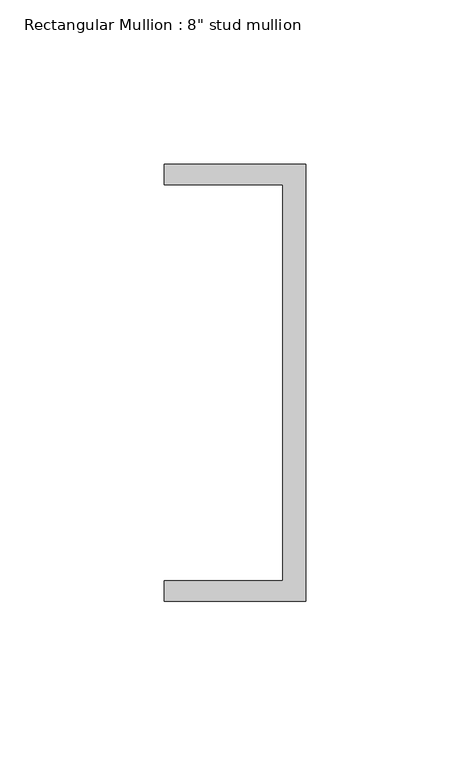
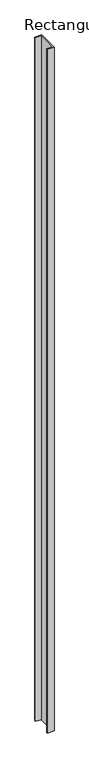
"""IFC4 building model written with IfcOpenShell, lengths in millimetres: member geometry."""

from ifc_helpers import new_model, si_unit, frame, origin, place, context, project, spatial, polyline, outline, extrude, source, transform, mapped, element, save


def member_6ffe2bf0(model_context):
    return source(origin(), model_context, "Body", "SweptSolid", [
        extrude(outline(polyline([(18.6549463, 135.2608739), (18.6549463, 1.9108739), (-24.5675083, 1.9108739), (-24.5675083, 8.2608739), (11.6110886, 8.2608739), (11.6110886, 128.9108739), (-24.5675083, 128.9108739), (-24.5675083, 135.2608739), (18.6549463, 135.2608739)])), frame((0.0, 0.0, -4530.2513669), z_axis=(0.0, 0.0, 1.0), x_axis=(1.0, 0.0, 0.0)), (0.0, 0.0, 1.0), 4530.2513669),
    ])


if __name__ == "__main__":
    model = new_model("IFC4")
    model_context = context("Model", 3, world=origin())
    ifc_project = project(units=[si_unit("LENGTHUNIT", "METRE", prefix="MILLI")], contexts=[model_context])
    site = spatial("IfcSite", under=ifc_project)
    building = spatial("IfcBuilding", under=site)
    placement = place(None, origin())
    member_shape = member_6ffe2bf0(model_context)
    element("IfcMember", 1, ObjectType="Rectangular Mullion : 8\" stud mullion", at=placement, inside=building, context=model_context, shape_type="MappedRepresentation", body=[
        mapped(member_shape, transform((0.0, 0.0, 0.0), x_axis=(1.0, 0.0, 0.0), y_axis=(0.0, 1.0, 0.0), z_axis=(0.0, 0.0, 1.0))),
    ])
    save(model, "model.ifc")
